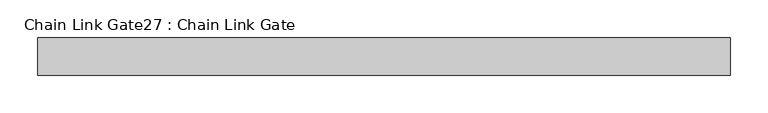
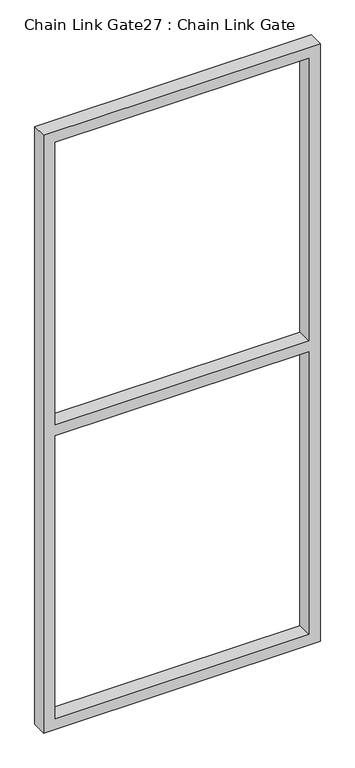
"""IFC4 building model written with IfcOpenShell, lengths in millimetres: proxy geometry, Chain Link Gate27 : Chain Link Gate."""

from ifc_helpers import new_model, si_unit, frame, origin, place, context, project, spatial, polyline, outline, extrude, source, transform, mapped, element, save


def chain_link_gate27_chain_link_gate_02a2d002(model_context):
    return source(origin(), model_context, "Body", "SweptSolid", [
        extrude(outline(polyline([(2120.9, -2936.8848205), (12.7, -2936.8848205), (12.7, -2012.9598205), (2120.9, -2012.9598205), (2120.9, -2936.8848205)]), holes=[polyline([(2082.8, -2898.7848205), (2082.8, -2051.0598205), (1085.85, -2051.0598205), (1085.85, -2898.7848205), (2082.8, -2898.7848205)]), polyline([(1047.75, -2051.0598205), (50.8, -2051.0598205), (50.8, -2898.7848205), (1047.75, -2898.7848205), (1047.75, -2051.0598205)])]), frame((0.0, 15493.7112077, 0.0), z_axis=(0.0, 1.0, 0.0), x_axis=(0.0, 0.0, 1.0)), (0.0, 0.0, 1.0), 50.1314753),
    ])


if __name__ == "__main__":
    model = new_model("IFC4")
    model_context = context("Model", 3, world=origin())
    ifc_project = project(units=[si_unit("LENGTHUNIT", "METRE", prefix="MILLI")], contexts=[model_context])
    site = spatial("IfcSite", under=ifc_project)
    building = spatial("IfcBuilding", under=site)
    placement = place(None, origin())
    chain_link_gate27_chain_link_gate_shape = chain_link_gate27_chain_link_gate_02a2d002(model_context)
    element("IfcBuildingElementProxy", 1, Name="Chain Link Gate27 : Chain Link Gate", ObjectType="Chain Link Gate27 : Chain Link Gate", at=placement, inside=building, context=model_context, shape_type="MappedRepresentation", body=[
        mapped(chain_link_gate27_chain_link_gate_shape, transform((0.0, 0.0, 0.0), x_axis=(1.0, 0.0, 0.0), y_axis=(0.0, 1.0, 0.0), z_axis=(0.0, 0.0, 1.0))),
    ])
    save(model, "model.ifc")
